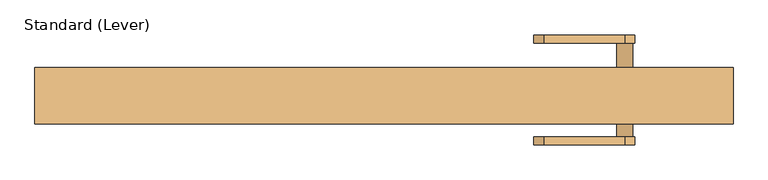
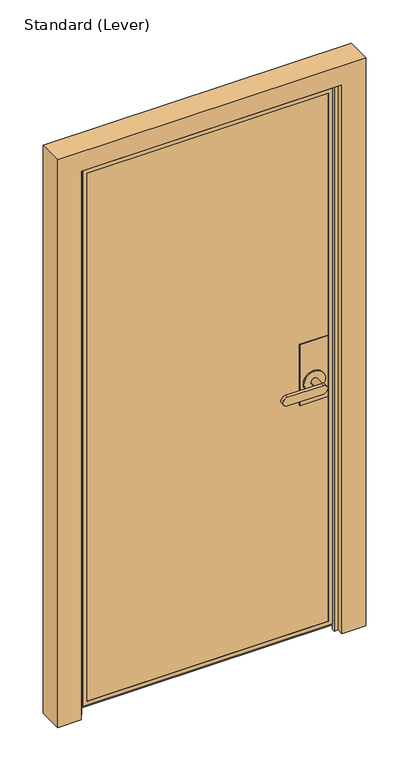
"""IFC4 building model written with IfcOpenShell, lengths in millimetres: door geometry, Standard (Lever)."""

from ifc_helpers import new_model, si_unit, frame, origin, place, context, project, spatial, polyline, circle_curve, outline, extrude, faceted_brep, source, transform, mapped, element, save
from ifc_brep_helpers import plane_surface, cylinder_surface, advanced_brep


def standard_lever_546f7f2a(model_context):
    return source(origin(), model_context, "Body", "SolidModel", [
        faceted_brep([(534.9875, -8.73125, 1117.6), (534.9875, 27.78125, 1117.6), (433.3875, 27.78125, 1117.6), (433.3875, -8.73125, 1117.6), (534.9875, -8.73125, 889.0), (433.3875, -8.73125, 889.0), (433.3875, 27.78125, 889.0), (534.9875, 27.78125, 889.0)], [[[0, 1, 2, 3]], [[4, 5, 6, 7]], [[1, 0, 4, 7]], [[2, 1, 7, 6]], [[3, 2, 6, 5]], [[0, 3, 5, 4]]]),
        advanced_brep(
        [(534.9875, 37.30625, 1117.6), (534.9875, 38.89375, 1117.6), (433.3875, 38.89375, 1117.6), (433.3875, 37.30625, 1117.6), (534.9875, 37.30625, 889.0), (433.3875, 37.30625, 889.0), (433.3875, 38.89375, 889.0), (534.9875, 38.89375, 889.0), (446.0875, 38.89375, 965.2), (522.2875, 38.89375, 965.2), (522.2875, 43.65625, 965.2), (446.0875, 43.65625, 965.2), (471.4875, 43.65625, 965.2), (496.8875, 43.65625, 965.2), (496.8875, 83.34375, 965.2), (471.4875, 83.34375, 965.2), (357.1875, 96.04375, 949.325), (357.1875, 96.04375, 981.075), (484.1875, 96.04375, 981.075), (484.1875, 96.04375, 949.325), (357.1875, 83.34375, 949.325), (484.1875, 83.34375, 949.325), (484.1875, 83.34375, 981.075), (357.1875, 83.34375, 981.075)],
        [
            (0, 1),
            (1, 2),
            (2, 3),
            (3, 0),
            (4, 5),
            (5, 6),
            (6, 7),
            (7, 4),
            (0, 4),
            (7, 1),
            (6, 2),
            (8, 9, circle_curve(frame((484.1875, 38.89375, 965.2), z_axis=(0.0, -1.0, 0.0), x_axis=(-1.0, 0.0, 0.0)), 38.1)),
            (9, 8, circle_curve(frame((484.1875, 38.89375, 965.2), z_axis=(0.0, -1.0, 0.0), x_axis=(-1.0, 0.0, 0.0)), 38.1)),
            (5, 3),
            (10, 11, circle_curve(frame((484.1875, 43.65625, 965.2), z_axis=(0.0, 1.0, 0.0), x_axis=(-1.0, 0.0, 0.0)), 38.1)),
            (11, 10, circle_curve(frame((484.1875, 43.65625, 965.2), z_axis=(0.0, 1.0, 0.0), x_axis=(-1.0, 0.0, 0.0)), 38.1)),
            (12, 13, circle_curve(frame((484.1875, 43.65625, 965.2), z_axis=(0.0, -1.0, 0.0), x_axis=(-1.0, 0.0, 0.0)), 12.7)),
            (13, 12, circle_curve(frame((484.1875, 43.65625, 965.2), z_axis=(0.0, -1.0, 0.0), x_axis=(-1.0, 0.0, 0.0)), 12.7)),
            (10, 9),
            (8, 11),
            (14, 13),
            (12, 15),
            (15, 14, circle_curve(frame((484.1875, 83.34375, 965.2), z_axis=(0.0, -1.0, 0.0), x_axis=(-1.0, 0.0, 0.0)), 12.7)),
            (14, 15, circle_curve(frame((484.1875, 83.34375, 965.2), z_axis=(0.0, -1.0, 0.0), x_axis=(-1.0, 0.0, 0.0)), 12.7)),
            (16, 17, circle_curve(frame((357.1875, 96.04375, 965.2), z_axis=(0.0, 1.0, 0.0), x_axis=(-1.0, 0.0, 0.0)), 15.875)),
            (17, 18),
            (18, 19, circle_curve(frame((484.1875, 96.04375, 965.2), z_axis=(0.0, 1.0, 0.0), x_axis=(-1.0, 0.0, 0.0)), 15.875)),
            (19, 16),
            (20, 21),
            (21, 22, circle_curve(frame((484.1875, 83.34375, 965.2), z_axis=(0.0, -1.0, 0.0), x_axis=(-1.0, 0.0, 0.0)), 15.875)),
            (22, 23),
            (23, 20, circle_curve(frame((357.1875, 83.34375, 965.2), z_axis=(0.0, -1.0, 0.0), x_axis=(-1.0, 0.0, 0.0)), 15.875)),
            (16, 20),
            (23, 17),
            (22, 18),
            (21, 19),
        ],
        [
            plane_surface(frame((534.9875, -19.84375, 1117.6), z_axis=(0.0, 0.0, 1.0), x_axis=(0.0, 1.0, 0.0))),
            plane_surface(frame((534.9875, -19.84375, 889.0), z_axis=(0.0, 0.0, -1.0), x_axis=(0.0, -1.0, 0.0))),
            plane_surface(frame((534.9875, 37.30625, 1117.6), z_axis=(1.0, 0.0, 0.0), x_axis=(0.0, 0.0, -1.0))),
            plane_surface(frame((534.9875, 38.89375, 1117.6), z_axis=(0.0, 1.0, 0.0), x_axis=(0.0, 0.0, -1.0))),
            plane_surface(frame((433.3875, 38.89375, 1117.6), z_axis=(-1.0, 0.0, 0.0), x_axis=(0.0, 0.0, -1.0))),
            plane_surface(frame((433.3875, 37.30625, 1117.6), z_axis=(0.0, -1.0, 0.0), x_axis=(0.0, 0.0, -1.0))),
            plane_surface(frame((446.0875, 43.65625, 965.2), z_axis=(0.0, 1.0, 0.0), x_axis=(0.0, 0.0, 1.0))),
            cylinder_surface(frame((484.1875, 38.89375, 965.2), z_axis=(0.0, 1.0, 0.0), x_axis=(-1.0, 0.0, 0.0)), 38.1),
            cylinder_surface(frame((484.1875, 38.89375, 965.2), z_axis=(0.0, 1.0, 0.0), x_axis=(-1.0, 0.0, 0.0)), 12.7),
            plane_surface(frame((341.3125, 96.04375, 965.2), z_axis=(0.0, 1.0, 0.0), x_axis=(0.0, 0.0, 1.0))),
            plane_surface(frame((341.3125, 83.34375, 965.2), z_axis=(0.0, -1.0, 0.0), x_axis=(0.0, 0.0, -1.0))),
            cylinder_surface(frame((357.1875, 83.34375, 965.2), z_axis=(0.0, 1.0, 0.0), x_axis=(-1.0, 0.0, 0.0)), 15.875),
            plane_surface(frame((357.1875, 96.04375, 981.075), z_axis=(0.0, 0.0, 1.0), x_axis=(0.0, -1.0, 0.0))),
            cylinder_surface(frame((484.1875, 83.34375, 965.2), z_axis=(0.0, 1.0, 0.0), x_axis=(-1.0, 0.0, 0.0)), 15.875),
            plane_surface(frame((484.1875, 96.04375, 949.325), z_axis=(0.0, 0.0, -1.0), x_axis=(0.0, -1.0, 0.0))),
        ],
        [
            (0, [[1, 2, 3, 4]]),
            (1, [[5, 6, 7, 8]]),
            (2, [[-1, 9, -8, 10]]),
            (3, [[-2, -10, -7, 11], [12, 13]]),
            (4, [[-3, -11, -6, 14]]),
            (5, [[-4, -14, -5, -9]]),
            (6, [[15, 16], [17, 18]]),
            (7, [[-15, 19, -12, 20]]),
            (7, [[-16, -20, -13, -19]]),
            (8, [[21, -17, 22, 23]]),
            (8, [[-21, 24, -22, -18]]),
            (9, [[25, 26, 27, 28]]),
            (10, [[29, 30, 31, 32], [-23, -24]]),
            (11, [[-25, 33, -32, 34]]),
            (12, [[-26, -34, -31, 35]]),
            (13, [[-27, -35, -30, 36]]),
            (14, [[-28, -36, -29, -33]]),
        ],
    ),
        advanced_brep(
        [(534.9875, -19.84375, 1117.6), (534.9875, -18.25625, 1117.6), (433.449678, -18.25625, 1117.6), (433.449678, -19.84375, 1117.6), (534.9875, -19.84375, 889.0), (433.449678, -19.84375, 889.0), (433.449678, -18.25625, 889.0), (534.9875, -18.25625, 889.0), (496.8875, -24.60625, 965.2), (496.8875, -64.29375, 965.2), (471.4875, -64.29375, 965.2), (471.4875, -24.60625, 965.2), (522.2875, -24.60625, 965.2), (446.0875, -24.60625, 965.2), (446.0875, -19.84375, 965.2), (522.2875, -19.84375, 965.2), (484.1875, -64.29375, 949.325), (357.1875, -64.29375, 949.325), (357.1875, -64.29375, 981.075), (484.1875, -64.29375, 981.075), (484.1875, -76.99375, 949.325), (484.1875, -76.99375, 981.075), (357.1875, -76.99375, 981.075), (357.1875, -76.99375, 949.325)],
        [
            (0, 1),
            (1, 2),
            (2, 3),
            (3, 0),
            (4, 5),
            (5, 6),
            (6, 7),
            (7, 4),
            (8, 9),
            (9, 10, circle_curve(frame((484.1875, -64.29375, 965.2), z_axis=(0.0, 1.0, 0.0), x_axis=(-1.0, 0.0, 0.0)), 12.7)),
            (10, 11),
            (11, 8, circle_curve(frame((484.1875, -24.60625, 965.2), z_axis=(0.0, -1.0, 0.0), x_axis=(-1.0, 0.0, 0.0)), 12.7)),
            (8, 11, circle_curve(frame((484.1875, -24.60625, 965.2), z_axis=(0.0, -1.0, 0.0), x_axis=(-1.0, 0.0, 0.0)), 12.7)),
            (10, 9, circle_curve(frame((484.1875, -64.29375, 965.2), z_axis=(0.0, 1.0, 0.0), x_axis=(-1.0, 0.0, 0.0)), 12.7)),
            (12, 13, circle_curve(frame((484.1875, -24.60625, 965.2), z_axis=(0.0, -1.0, 0.0), x_axis=(-1.0, 0.0, 0.0)), 38.1)),
            (13, 12, circle_curve(frame((484.1875, -24.60625, 965.2), z_axis=(0.0, -1.0, 0.0), x_axis=(-1.0, 0.0, 0.0)), 38.1)),
            (13, 14),
            (14, 15, circle_curve(frame((484.1875, -19.84375, 965.2), z_axis=(0.0, -1.0, 0.0), x_axis=(-1.0, 0.0, 0.0)), 38.1)),
            (15, 12),
            (15, 14, circle_curve(frame((484.1875, -19.84375, 965.2), z_axis=(0.0, -1.0, 0.0), x_axis=(-1.0, 0.0, 0.0)), 38.1)),
            (16, 17),
            (17, 18, circle_curve(frame((357.1875, -64.29375, 965.2), z_axis=(0.0, 1.0, 0.0), x_axis=(-1.0, 0.0, 0.0)), 15.875)),
            (18, 19),
            (19, 16, circle_curve(frame((484.1875, -64.29375, 965.2), z_axis=(0.0, 1.0, 0.0), x_axis=(-1.0, 0.0, 0.0)), 15.875)),
            (20, 21, circle_curve(frame((484.1875, -76.99375, 965.2), z_axis=(0.0, -1.0, 0.0), x_axis=(-1.0, 0.0, 0.0)), 15.875)),
            (21, 22),
            (22, 23, circle_curve(frame((357.1875, -76.99375, 965.2), z_axis=(0.0, -1.0, 0.0), x_axis=(-1.0, 0.0, 0.0)), 15.875)),
            (23, 20),
            (16, 20),
            (23, 17),
            (22, 18),
            (21, 19),
            (0, 4),
            (7, 1),
            (6, 2),
            (5, 3),
        ],
        [
            plane_surface(frame((534.9875, -19.84375, 1117.6), z_axis=(0.0, 0.0, 1.0), x_axis=(0.0, 1.0, 0.0))),
            plane_surface(frame((534.9875, -19.84375, 889.0), z_axis=(0.0, 0.0, -1.0), x_axis=(0.0, -1.0, 0.0))),
            cylinder_surface(frame((484.1875, -64.29375, 965.2), z_axis=(0.0, 1.0, 0.0), x_axis=(-1.0, 0.0, 0.0)), 12.7),
            plane_surface(frame((446.0875, -24.60625, 965.2), z_axis=(0.0, -1.0, 0.0), x_axis=(0.0, 0.0, -1.0))),
            cylinder_surface(frame((484.1875, -24.60625, 965.2), z_axis=(0.0, 1.0, 0.0), x_axis=(-1.0, 0.0, 0.0)), 38.1),
            plane_surface(frame((484.1875, -64.29375, 949.325), z_axis=(0.0, 1.0, 0.0), x_axis=(-1.0, 0.0, 0.0))),
            plane_surface(frame((484.1875, -76.99375, 949.325), z_axis=(0.0, -1.0, 0.0), x_axis=(1.0, 0.0, 0.0))),
            plane_surface(frame((484.1875, -64.29375, 949.325), z_axis=(0.0, 0.0, -1.0), x_axis=(0.0, -1.0, 0.0))),
            cylinder_surface(frame((357.1875, -76.99375, 965.2), z_axis=(0.0, 1.0, 0.0), x_axis=(-1.0, 0.0, 0.0)), 15.875),
            plane_surface(frame((357.1875, -64.29375, 981.075), z_axis=(0.0, 0.0, 1.0), x_axis=(0.0, -1.0, 0.0))),
            cylinder_surface(frame((484.1875, -76.99375, 965.2), z_axis=(0.0, 1.0, 0.0), x_axis=(-1.0, 0.0, 0.0)), 15.875),
            plane_surface(frame((534.9875, -19.84375, 1117.6), z_axis=(1.0, 0.0, 0.0), x_axis=(0.0, 0.0, -1.0))),
            plane_surface(frame((534.9875, -18.25625, 1117.6), z_axis=(0.0, 1.0, 0.0), x_axis=(0.0, 0.0, -1.0))),
            plane_surface(frame((433.449678, -18.25625, 1117.6), z_axis=(-1.0, 0.0, 0.0), x_axis=(0.0, 0.0, -1.0))),
            plane_surface(frame((433.449678, -19.84375, 1117.6), z_axis=(0.0, -1.0, 0.0), x_axis=(0.0, 0.0, -1.0))),
        ],
        [
            (0, [[1, 2, 3, 4]]),
            (1, [[5, 6, 7, 8]]),
            (2, [[9, 10, 11, 12]]),
            (2, [[-9, 13, -11, 14]]),
            (3, [[15, 16], [-12, -13]]),
            (4, [[-16, 17, 18, 19]]),
            (4, [[-15, -19, 20, -17]]),
            (5, [[21, 22, 23, 24], [-10, -14]]),
            (6, [[25, 26, 27, 28]]),
            (7, [[-21, 29, -28, 30]]),
            (8, [[-22, -30, -27, 31]]),
            (9, [[-23, -31, -26, 32]]),
            (10, [[-24, -32, -25, -29]]),
            (11, [[-1, 33, -8, 34]]),
            (12, [[-2, -34, -7, 35]]),
            (13, [[-3, -35, -6, 36]]),
            (14, [[-4, -36, -5, -33], [-18, -20]]),
        ],
    ),
        extrude(outline(polyline([(547.6875, 37.30625), (547.6875, 27.78125), (-334.9625, 27.78125), (-334.9625, 37.30625), (547.6875, 37.30625)])), frame((0.0, 0.0, 30.1625), z_axis=(0.0, 0.0, 1.0), x_axis=(1.0, 0.0, 0.0)), (0.0, 0.0, 1.0), 2008.1875),
        extrude(outline(polyline([(547.6875, -8.73125), (547.6875, -18.25625), (-334.9625, -18.25625), (-334.9625, -8.73125), (547.6875, -8.73125)])), frame((0.0, 0.0, 30.1625), z_axis=(0.0, 0.0, 1.0), x_axis=(1.0, 0.0, 0.0)), (0.0, 0.0, 1.0), 2008.1875),
        faceted_brep([(-322.2625, 27.78125, 2025.65), (-322.2625, -8.73125, 2025.65), (-322.2625, -8.73125, 42.8625), (-322.2625, 27.78125, 42.8625), (547.6875, -8.73125, 30.1625), (547.6875, -8.73125, 2038.35), (-334.9625, -8.73125, 2038.35), (-334.9625, -8.73125, 30.1625), (534.9875, -8.73125, 2025.65), (534.9875, -8.73125, 42.8625), (534.9875, 27.78125, 42.8625), (547.6875, 27.78125, 30.1625), (-334.9625, 27.78125, 30.1625), (-334.9625, 27.78125, 2038.35), (547.6875, 27.78125, 2038.35), (534.9875, 27.78125, 2025.65), (-334.9625, 37.30625, 2038.35), (-334.9625, 37.30625, 30.1625), (547.6875, 37.30625, 30.1625), (547.6875, 37.30625, 2038.35), (534.9875, 37.30625, 42.8625), (-322.2625, 37.30625, 42.8625), (-322.2625, 37.30625, 2025.65), (534.9875, 37.30625, 2025.65), (-322.2625, 38.89375, 2025.65), (-322.2625, 38.89375, 42.8625), (534.9875, 38.89375, 42.8625), (565.15, 38.89375, 12.7), (-352.425, 38.89375, 12.7), (-352.425, 38.89375, 2055.8125), (565.15, 38.89375, 2055.8125), (534.9875, 38.89375, 2025.65), (-352.425, -5.55625, 2055.8125), (-352.425, -5.55625, 12.7), (565.15, -5.55625, 12.7), (565.15, -5.55625, 2055.8125), (-336.55, -5.55625, 28.575), (-336.55, -5.55625, 2039.9375), (549.275, -5.55625, 2039.9375), (549.275, -5.55625, 28.575), (-322.2625, -18.25625, 42.8625), (-322.2625, -19.84375, 42.8625), (534.9875, -19.84375, 42.8625), (534.9875, -18.25625, 42.8625), (-336.55, -19.84375, 28.575), (549.275, -19.84375, 28.575), (549.275, -19.84375, 2039.9375), (-336.55, -19.84375, 2039.9375), (-322.2625, -19.84375, 2025.65), (534.9875, -19.84375, 2025.65), (-322.2625, -18.25625, 2025.65), (534.9875, -18.25625, 2025.65), (-334.9625, -18.25625, 30.1625), (-334.9625, -18.25625, 2038.35), (547.6875, -18.25625, 2038.35), (547.6875, -18.25625, 30.1625)], [[[0, 1, 2, 3]], [[4, 5, 6, 7], [2, 1, 8, 9]], [[3, 2, 9, 10]], [[11, 12, 13, 14], [3, 10, 15, 0]], [[16, 13, 12, 17]], [[17, 12, 11, 18]], [[17, 18, 19, 16], [20, 21, 22, 23]], [[24, 22, 21, 25]], [[25, 21, 20, 26]], [[27, 28, 29, 30], [25, 26, 31, 24]], [[32, 29, 28, 33]], [[33, 28, 27, 34]], [[34, 35, 32, 33], [36, 37, 38, 39]], [[10, 9, 8, 15]], [[18, 11, 14, 19]], [[26, 20, 23, 31]], [[34, 27, 30, 35]], [[40, 41, 42, 43]], [[44, 45, 46, 47], [42, 41, 48, 49]], [[50, 48, 41, 40]], [[43, 42, 49, 51]], [[44, 36, 39, 45]], [[45, 39, 38, 46]], [[47, 37, 36, 44]], [[52, 53, 54, 55], [43, 51, 50, 40]], [[6, 53, 52, 7]], [[7, 52, 55, 4]], [[4, 55, 54, 5]], [[15, 8, 1, 0]], [[19, 14, 13, 16]], [[31, 23, 22, 24]], [[35, 30, 29, 32]], [[51, 49, 48, 50]], [[5, 54, 53, 6]], [[46, 38, 37, 47]]]),
        faceted_brep([(569.9125, -44.45, 0.0), (569.9125, -20.6375, 0.0), (555.625, -20.6375, 0.0), (555.625, -9.525, 0.0), (569.9125, -9.525, 0.0), (569.9125, 44.45, 0.0), (654.05, 44.45, 0.0), (654.05, -44.45, 0.0), (569.9125, -44.45, 2060.575), (569.9125, -20.6375, 2060.575), (-357.1875, -20.6375, 2060.575), (-357.1875, -20.6375, 0.0), (-342.9, -20.6375, 0.0), (-342.9, -20.6375, 2046.2875), (555.625, -20.6375, 2046.2875), (555.625, -9.525, 2046.2875), (-342.9, -9.525, 2046.2875), (-342.9, -9.525, 0.0), (-357.1875, -9.525, 0.0), (-357.1875, -9.525, 2060.575), (569.9125, -9.525, 2060.575), (569.9125, 44.45, 2060.575), (-357.1875, 44.45, 2060.575), (-357.1875, 44.45, 0.0), (-441.325, 44.45, 0.0), (-441.325, 44.45, 2133.6), (654.05, 44.45, 2133.6), (654.05, -44.45, 2133.6), (-441.325, -44.45, 2133.6), (-441.325, -44.45, 0.0), (-357.1875, -44.45, 0.0), (-357.1875, -44.45, 2060.575)], [[[0, 1, 2, 3, 4, 5, 6, 7]], [[1, 0, 8, 9]], [[2, 1, 9, 10, 11, 12, 13, 14]], [[3, 2, 14, 15]], [[4, 3, 15, 16, 17, 18, 19, 20]], [[5, 4, 20, 21]], [[6, 5, 21, 22, 23, 24, 25, 26]], [[7, 6, 26, 27]], [[0, 7, 27, 28, 29, 30, 31, 8]], [[30, 29, 24, 23, 18, 17, 12, 11]], [[24, 29, 28, 25]], [[19, 18, 23, 22]], [[12, 17, 16, 13]], [[30, 11, 10, 31]], [[28, 27, 26, 25]], [[10, 9, 8, 31]], [[15, 14, 13, 16]], [[21, 20, 19, 22]]]),
    ])


if __name__ == "__main__":
    model = new_model("IFC4")
    model_context = context("Model", 3, world=origin())
    ifc_project = project(units=[si_unit("LENGTHUNIT", "METRE", prefix="MILLI")], contexts=[model_context])
    site = spatial("IfcSite", under=ifc_project)
    building = spatial("IfcBuilding", under=site)
    placement = place(None, origin())
    standard_lever_shape = standard_lever_546f7f2a(model_context)
    element("IfcDoor", 1, ObjectType="Standard (Lever)", at=placement, inside=building, context=model_context, shape_type="MappedRepresentation", body=[
        mapped(standard_lever_shape, transform((0.0, 0.0, 0.0), x_axis=(1.0, 0.0, 0.0), y_axis=(0.0, 1.0, 0.0), z_axis=(0.0, 0.0, 1.0))),
    ])
    save(model, "model.ifc")
